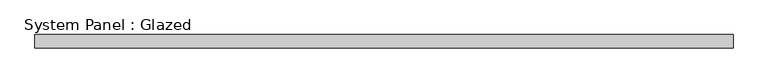
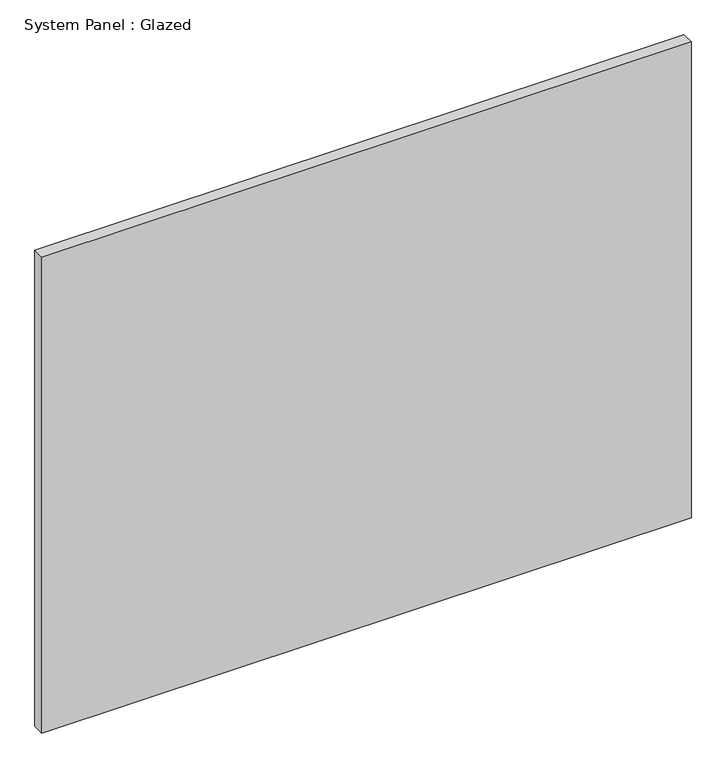
"""IFC4 building model written with IfcOpenShell, lengths in millimetres: plate geometry, System Panel : Glazed."""

from ifc_helpers import new_model, si_unit, origin, origin_with_axes, place, context, project, spatial, polyline, outline, extrude, source, transform, mapped, element, save


def system_panel_glazed_e132bba3(model_context):
    return source(origin(), model_context, "Body", "SweptSolid", [
        extrude(outline(polyline([(661.4285715, 24.5), (-661.4285715, 24.5), (-661.4285715, 49.5), (661.4285715, 49.5), (661.4285715, 24.5)])), origin_with_axes(), (0.0, 0.0, 1.0), 1025.0),
    ])


if __name__ == "__main__":
    model = new_model("IFC4")
    model_context = context("Model", 3, world=origin())
    ifc_project = project(units=[si_unit("LENGTHUNIT", "METRE", prefix="MILLI")], contexts=[model_context])
    site = spatial("IfcSite", under=ifc_project)
    building = spatial("IfcBuilding", under=site)
    placement = place(None, origin())
    system_panel_glazed_shape = system_panel_glazed_e132bba3(model_context)
    element("IfcPlate", 1, ObjectType="System Panel : Glazed", at=placement, inside=building, context=model_context, shape_type="MappedRepresentation", body=[
        mapped(system_panel_glazed_shape, transform((0.0, 0.0, 0.0), x_axis=(1.0, 0.0, 0.0), y_axis=(0.0, 1.0, 0.0), z_axis=(0.0, 0.0, 1.0))),
    ])
    save(model, "model.ifc")
